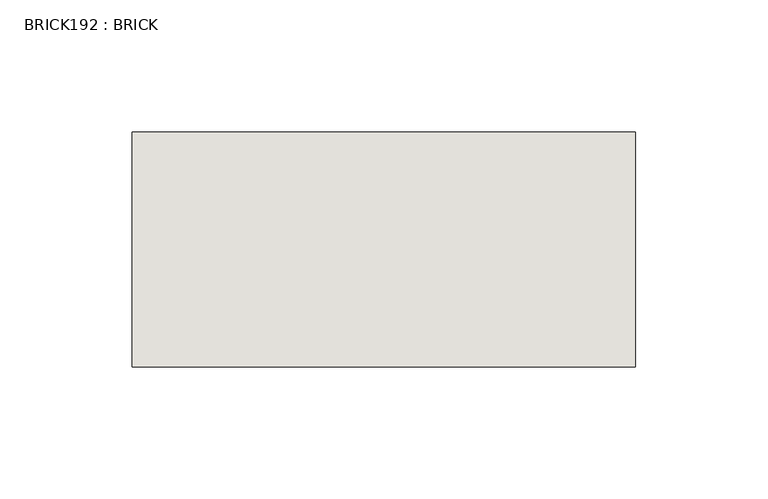
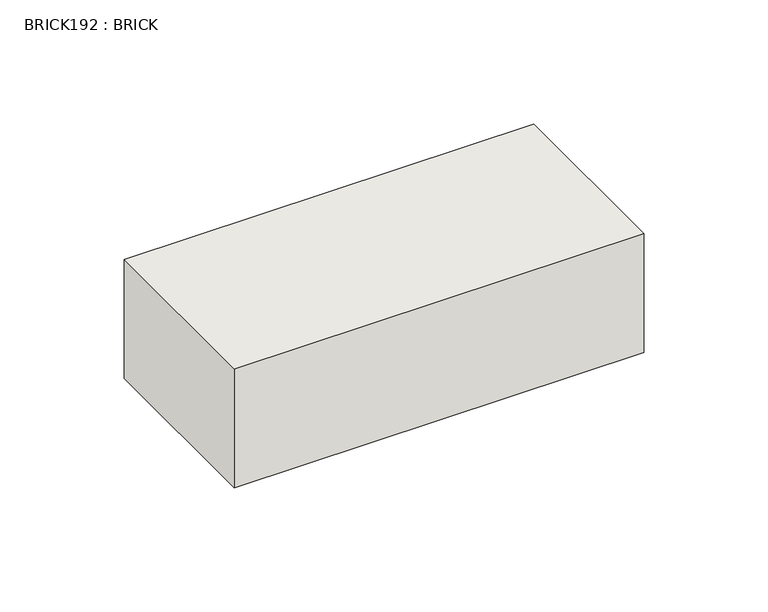
"""IFC4 building model written with IfcOpenShell, lengths in millimetres: wall geometry, BRICK192 : BRICK."""

from ifc_helpers import new_model, si_unit, frame, origin, place, context, project, spatial, polyline, outline, extrude, source, transform, mapped, element, save


def brick192_brick_cea78f34(model_context):
    return source(origin(), model_context, "Body", "SweptSolid", [
        extrude(outline(polyline([(-465.0574357, 3062.3923312), (-274.5574357, 3062.3923312), (-274.5574357, 2973.4923312), (-465.0574357, 2973.4923312), (-465.0574357, 3062.3923312)])), frame((0.0, 0.0, 423.2671875), z_axis=(0.0, 0.0, 1.0), x_axis=(1.0, 0.0, 0.0)), (0.0, 0.0, 1.0), 58.4398437),
    ])


if __name__ == "__main__":
    model = new_model("IFC4")
    model_context = context("Model", 3, world=origin())
    ifc_project = project(units=[si_unit("LENGTHUNIT", "METRE", prefix="MILLI")], contexts=[model_context])
    site = spatial("IfcSite", under=ifc_project)
    building = spatial("IfcBuilding", under=site)
    placement = place(None, origin())
    brick192_brick_shape = brick192_brick_cea78f34(model_context)
    element("IfcWall", 1, ObjectType="BRICK192 : BRICK", at=placement, inside=building, context=model_context, shape_type="MappedRepresentation", body=[
        mapped(brick192_brick_shape, transform((0.0, 0.0, 0.0), x_axis=(1.0, 0.0, 0.0), y_axis=(0.0, 1.0, 0.0), z_axis=(0.0, 0.0, 1.0))),
    ])
    save(model, "model.ifc")
